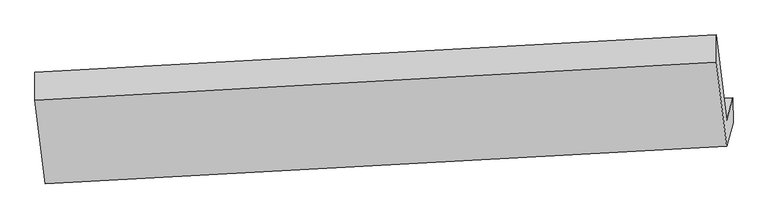
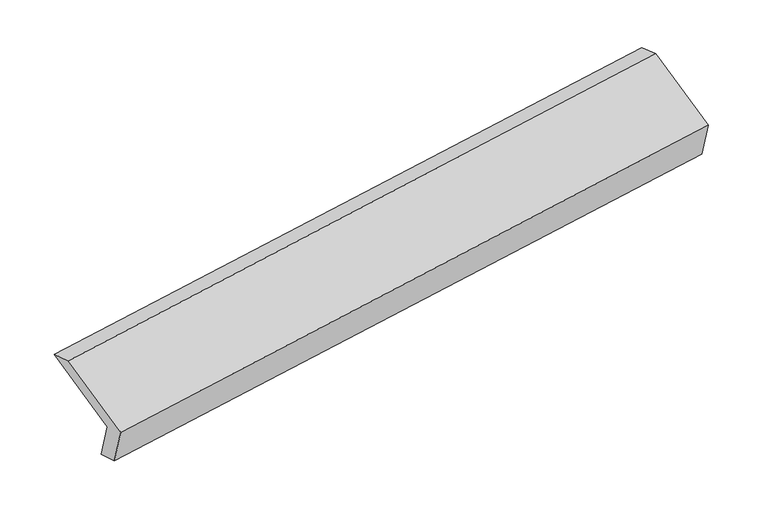
"""IFC4 building model written with IfcOpenShell, lengths in millimetres: proxy geometry."""

import ifcopenshell
import ifcopenshell.guid

model = None  # the IFC model being written
_history = None  # IfcOwnerHistory: only IFC2X3 demands one
_inside = {}  # id of a spatial element -> (the spatial element, [elements in it])
_under = {}  # id of a project, library or spatial element -> (it, [spatial elements below it])
_declared = {}  # id of a project -> (the project, [libraries it declares])
_typed = {}  # id of a type object -> (the type object, [elements of that type])
_made_of = {}  # id of a material, layer set ... -> (it, [elements and type objects made of it])


def new_model(schema):
    """Start an empty IFC model of exactly this schema.

    Asked for "IFC4X3", IfcOpenShell would pick the latest addendum, in which some entities
    have other attributes; the version numbers below select the first issue.
    IFC2X3 requires an IfcOwnerHistory on every rooted entity: one is made here for all.
    """
    global model, _history
    if schema == "IFC4X3":
        model = ifcopenshell.file(schema_version=(4, 3, 0, 0))
    else:
        model = ifcopenshell.file(schema=schema)
    _inside.clear()
    _under.clear()
    _declared.clear()
    _typed.clear()
    _made_of.clear()
    _history = None
    if model.schema == "IFC2X3":
        org = make("IfcOrganization", Name="unknown")
        user = make(
            "IfcPersonAndOrganization",
            ThePerson=make("IfcPerson", FamilyName="unknown"),
            TheOrganization=org,
        )
        app = make(
            "IfcApplication",
            ApplicationDeveloper=org,
            Version="unknown",
            ApplicationFullName="unknown",
            ApplicationIdentifier="unknown",
        )
        _history = make(
            "IfcOwnerHistory",
            OwningUser=user,
            OwningApplication=app,
            ChangeAction="ADDED",
            CreationDate=0,
        )
    return model


def make(cls, **values):
    """One entity of the class cls with the attributes given. An attribute that is None is left unset."""
    return model.create_entity(
        cls, **{name: value for name, value in values.items() if value is not None}
    )


def rooted(cls, **values):
    """An entity with a GlobalId (a new one), such as an element, a storey or a relation."""
    return make(cls, GlobalId=ifcopenshell.guid.new(), OwnerHistory=_history, **values)


def si_unit(unit_type, name, prefix=None):
    """IfcSIUnit, for example si_unit("LENGTHUNIT", "METRE", prefix="MILLI")."""
    return make("IfcSIUnit", UnitType=unit_type, Prefix=prefix, Name=name)


def assignment(units):
    """IfcUnitAssignment: the units of a project."""
    return None if units is None else make("IfcUnitAssignment", Units=units)


def point(xyz):
    """IfcCartesianPoint."""
    return None if xyz is None else make("IfcCartesianPoint", Coordinates=xyz)


def direction(xyz):
    """IfcDirection."""
    return None if xyz is None else make("IfcDirection", DirectionRatios=xyz)


def frame(location, z_axis=None, x_axis=None):
    """IfcAxis2Placement3D, a coordinate frame: its origin and axes. An axis left out is left unset."""
    return make(
        "IfcAxis2Placement3D",
        Location=point(location),
        Axis=direction(z_axis),
        RefDirection=direction(x_axis),
    )


def origin():
    """The frame at (0, 0, 0) with its axes left unset."""
    return frame((0.0, 0.0, 0.0))


def place(relative_to, where):
    """IfcLocalPlacement: puts the frame where relative to a parent placement (None: the world)."""
    return make(
        "IfcLocalPlacement", PlacementRelTo=relative_to, RelativePlacement=where
    )


def context(
    kind, dimensions, precision=None, world=None, true_north=None, identifier=None
):
    """IfcGeometricRepresentationContext, for example the 3D "Model" context."""
    return make(
        "IfcGeometricRepresentationContext",
        ContextIdentifier=identifier,
        ContextType=kind,
        CoordinateSpaceDimension=dimensions,
        Precision=precision,
        WorldCoordinateSystem=world,
        TrueNorth=true_north,
    )


def project(units=None, contexts=None):
    """IfcProject with its units and contexts."""
    return rooted(
        "IfcProject",
        Name="project",
        RepresentationContexts=contexts,
        UnitsInContext=assignment(units),
    )


def spatial(cls, under=None, at=None, **own):
    """A site, building, storey or space (cls), placed at a placement, below another one or the project."""
    s = rooted(cls, ObjectPlacement=at, **own)
    if under is not None:
        _under.setdefault(under.id(), (under, []))[1].append(s)
    return s


def polyline(points):
    """IfcPolyline through the points."""
    return make("IfcPolyline", Points=[point(p) for p in points])


def outline(outer, holes=None, kind="AREA"):
    """IfcArbitraryClosedProfileDef: a profile drawn as a closed curve; with holes, ...WithVoids."""
    if holes is None:
        return make("IfcArbitraryClosedProfileDef", ProfileType=kind, OuterCurve=outer)
    return make(
        "IfcArbitraryProfileDefWithVoids",
        ProfileType=kind,
        OuterCurve=outer,
        InnerCurves=holes,
    )


def extrude(swept, where, along, depth):
    """IfcExtrudedAreaSolid: the profile swept, set in the frame where, extruded along a direction by depth."""
    return make(
        "IfcExtrudedAreaSolid",
        SweptArea=swept,
        Position=where,
        ExtrudedDirection=direction(along),
        Depth=depth,
    )


def shape(context_of_items, identifier, shape_type, items):
    """IfcShapeRepresentation: the items that make up one representation, for example the "Body"."""
    return make(
        "IfcShapeRepresentation",
        ContextOfItems=context_of_items,
        RepresentationIdentifier=identifier,
        RepresentationType=shape_type,
        Items=items,
    )


def source(mapping_origin, context_of_items, identifier, shape_type, items):
    """IfcRepresentationMap: a shape defined once, which mapped items show again and again."""
    return make(
        "IfcRepresentationMap",
        MappingOrigin=mapping_origin,
        MappedRepresentation=shape(context_of_items, identifier, shape_type, items),
    )


def transform(
    local_origin,
    x_axis=None,
    y_axis=None,
    z_axis=None,
    scale=None,
    scale2=None,
    scale3=None,
    uniform=True,
):
    """IfcCartesianTransformationOperator3D, or its non-uniform kind. x_axis, y_axis, z_axis: its Axis1, 2, 3."""
    if uniform:
        return make(
            "IfcCartesianTransformationOperator3D",
            Axis1=direction(x_axis),
            Axis2=direction(y_axis),
            LocalOrigin=point(local_origin),
            Scale=scale,
            Axis3=direction(z_axis),
        )
    return make(
        "IfcCartesianTransformationOperator3DnonUniform",
        Axis1=direction(x_axis),
        Axis2=direction(y_axis),
        LocalOrigin=point(local_origin),
        Scale=scale,
        Axis3=direction(z_axis),
        Scale2=scale2,
        Scale3=scale3,
    )


def mapped(mapping_source, mapping_target):
    """IfcMappedItem: shows the shape of a source again, moved by a transform."""
    return make(
        "IfcMappedItem", MappingSource=mapping_source, MappingTarget=mapping_target
    )


def made_of(thing, what):
    """Note that an element or type object is made of a material, layer set ...; save() writes the relation."""
    if what is not None:
        _made_of.setdefault(what.id(), (what, []))[1].append(thing)
    return thing


def element(
    cls,
    number,
    at=None,
    inside=None,
    cuts=None,
    type_object=None,
    material=None,
    context=None,
    identifier="Body",
    shape_type=None,
    held_by="IfcProductDefinitionShape",
    body=None,
    shapes=None,
    **own,
):
    """One element of the class cls, such as IfcWall. Its Tag is "e" and its number.

    at: its placement. inside: the storey or other place that contains it. cuts: it is an
    opening in that element (IfcRelVoidsElement). A single representation is given by context,
    identifier, shape_type and body (its items); several are given by shapes. held_by: the class
    of the entity that holds the representations. save() writes the other relations.
    """
    e = rooted(cls, Tag="e%d" % number, ObjectPlacement=at, **own)
    if body is not None:
        shapes = [shape(context, identifier, shape_type, body)]
    if shapes is not None:
        e.Representation = make(held_by, Representations=shapes)
    if inside is not None:
        _inside.setdefault(inside.id(), (inside, []))[1].append(e)
    if cuts is not None:
        rooted(
            "IfcRelVoidsElement", RelatingBuildingElement=cuts, RelatedOpeningElement=e
        )
    if type_object is not None:
        _typed.setdefault(type_object.id(), (type_object, []))[1].append(e)
    return made_of(e, material)


def aggregate(whole, parts):
    """IfcRelAggregates: a whole, such as a stair, and the parts it consists of."""
    return rooted("IfcRelAggregates", RelatingObject=whole, RelatedObjects=parts)


def save(model, path):
    """Write the relations noted so far, then the file.

    IfcRelAggregates (storeys below a building ...), IfcRelContainedInSpatialStructure (elements
    in a storey), IfcRelDefinesByType, IfcRelAssociatesMaterial and IfcRelDeclares: one each for
    every whole, place, type object, material and project.
    """
    for whole, parts in _under.values():
        aggregate(whole, parts)
    for where, things in _inside.values():
        rooted(
            "IfcRelContainedInSpatialStructure",
            RelatedElements=things,
            RelatingStructure=where,
        )
    for kind, things in _typed.values():
        rooted("IfcRelDefinesByType", RelatedObjects=things, RelatingType=kind)
    for what, things in _made_of.values():
        rooted("IfcRelAssociatesMaterial", RelatedObjects=things, RelatingMaterial=what)
    for by, libraries in _declared.values():
        rooted("IfcRelDeclares", RelatingContext=by, RelatedDefinitions=libraries)
    model.write(path)


def generic_models_e9d7d699(model_context):
    return source(origin(), model_context, "Body", "SweptSolid", [
        extrude(outline(polyline([(-59.791791, -154.4038606), (328.5490252, -154.4038607), (202.5720632, -298.599088), (-205.7687532, -298.5990879), (-205.7687531, 375.9053349), (-59.791791, 530.1005623), (-59.791791, -154.4038606)])), frame((-5344.1562293, -1642.5883348, 1550.5675042), z_axis=(0.987228827186719, 0.05441508197803057, 0.1497272240604882), x_axis=(0.11355435640221984, 0.41882951709991717, -0.9009368700125042)), (0.0, 0.0, 1.0), 5030.5195664),
    ])


if __name__ == "__main__":
    model = new_model("IFC4")
    model_context = context("Model", 3, world=origin())
    ifc_project = project(units=[si_unit("LENGTHUNIT", "METRE", prefix="MILLI")], contexts=[model_context])
    site = spatial("IfcSite", under=ifc_project)
    building = spatial("IfcBuilding", under=site)
    placement = place(None, origin())
    generic_models_shape = generic_models_e9d7d699(model_context)
    element("IfcBuildingElementProxy", 1, Name="Generic Models", at=placement, inside=building, context=model_context, shape_type="MappedRepresentation", body=[
        mapped(generic_models_shape, transform((0.0, 0.0, 0.0), x_axis=(1.0, 0.0, 0.0), y_axis=(0.0, 1.0, 0.0), z_axis=(0.0, 0.0, 1.0))),
    ])
    save(model, "model.ifc")
